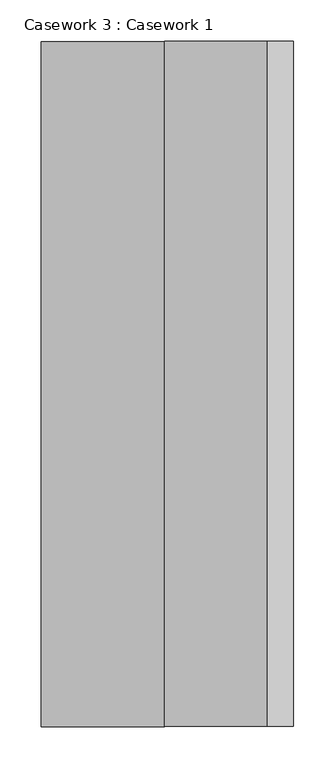
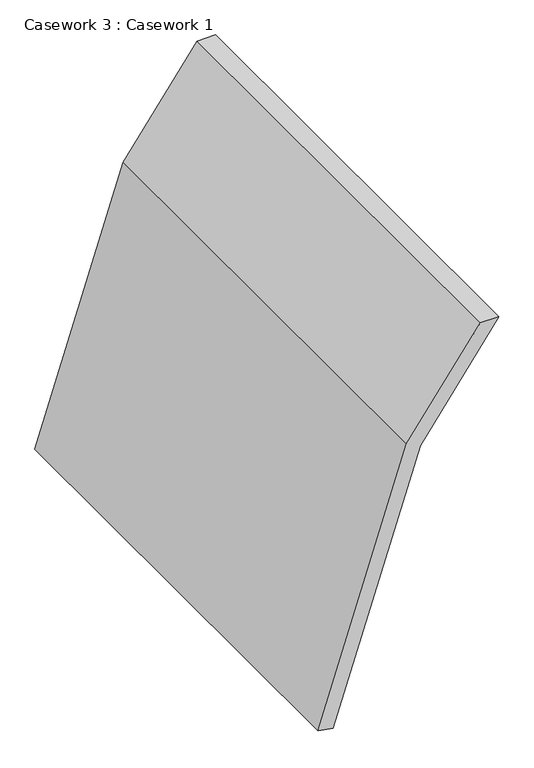
"""IFC4 building model written with IfcOpenShell, lengths in millimetres: furniture geometry, Casework 3 : Casework 1."""

import ifcopenshell
import ifcopenshell.guid

model = None  # the IFC model being written
_history = None  # IfcOwnerHistory: only IFC2X3 demands one
_inside = {}  # id of a spatial element -> (the spatial element, [elements in it])
_under = {}  # id of a project, library or spatial element -> (it, [spatial elements below it])
_declared = {}  # id of a project -> (the project, [libraries it declares])
_typed = {}  # id of a type object -> (the type object, [elements of that type])
_made_of = {}  # id of a material, layer set ... -> (it, [elements and type objects made of it])


def new_model(schema):
    """Start an empty IFC model of exactly this schema.

    Asked for "IFC4X3", IfcOpenShell would pick the latest addendum, in which some entities
    have other attributes; the version numbers below select the first issue.
    IFC2X3 requires an IfcOwnerHistory on every rooted entity: one is made here for all.
    """
    global model, _history
    if schema == "IFC4X3":
        model = ifcopenshell.file(schema_version=(4, 3, 0, 0))
    else:
        model = ifcopenshell.file(schema=schema)
    _inside.clear()
    _under.clear()
    _declared.clear()
    _typed.clear()
    _made_of.clear()
    _history = None
    if model.schema == "IFC2X3":
        org = make("IfcOrganization", Name="unknown")
        user = make(
            "IfcPersonAndOrganization",
            ThePerson=make("IfcPerson", FamilyName="unknown"),
            TheOrganization=org,
        )
        app = make(
            "IfcApplication",
            ApplicationDeveloper=org,
            Version="unknown",
            ApplicationFullName="unknown",
            ApplicationIdentifier="unknown",
        )
        _history = make(
            "IfcOwnerHistory",
            OwningUser=user,
            OwningApplication=app,
            ChangeAction="ADDED",
            CreationDate=0,
        )
    return model


def make(cls, **values):
    """One entity of the class cls with the attributes given. An attribute that is None is left unset."""
    return model.create_entity(
        cls, **{name: value for name, value in values.items() if value is not None}
    )


def rooted(cls, **values):
    """An entity with a GlobalId (a new one), such as an element, a storey or a relation."""
    return make(cls, GlobalId=ifcopenshell.guid.new(), OwnerHistory=_history, **values)


def si_unit(unit_type, name, prefix=None):
    """IfcSIUnit, for example si_unit("LENGTHUNIT", "METRE", prefix="MILLI")."""
    return make("IfcSIUnit", UnitType=unit_type, Prefix=prefix, Name=name)


def assignment(units):
    """IfcUnitAssignment: the units of a project."""
    return None if units is None else make("IfcUnitAssignment", Units=units)


def point(xyz):
    """IfcCartesianPoint."""
    return None if xyz is None else make("IfcCartesianPoint", Coordinates=xyz)


def direction(xyz):
    """IfcDirection."""
    return None if xyz is None else make("IfcDirection", DirectionRatios=xyz)


def frame(location, z_axis=None, x_axis=None):
    """IfcAxis2Placement3D, a coordinate frame: its origin and axes. An axis left out is left unset."""
    return make(
        "IfcAxis2Placement3D",
        Location=point(location),
        Axis=direction(z_axis),
        RefDirection=direction(x_axis),
    )


def origin():
    """The frame at (0, 0, 0) with its axes left unset."""
    return frame((0.0, 0.0, 0.0))


def place(relative_to, where):
    """IfcLocalPlacement: puts the frame where relative to a parent placement (None: the world)."""
    return make(
        "IfcLocalPlacement", PlacementRelTo=relative_to, RelativePlacement=where
    )


def context(
    kind, dimensions, precision=None, world=None, true_north=None, identifier=None
):
    """IfcGeometricRepresentationContext, for example the 3D "Model" context."""
    return make(
        "IfcGeometricRepresentationContext",
        ContextIdentifier=identifier,
        ContextType=kind,
        CoordinateSpaceDimension=dimensions,
        Precision=precision,
        WorldCoordinateSystem=world,
        TrueNorth=true_north,
    )


def project(units=None, contexts=None):
    """IfcProject with its units and contexts."""
    return rooted(
        "IfcProject",
        Name="project",
        RepresentationContexts=contexts,
        UnitsInContext=assignment(units),
    )


def spatial(cls, under=None, at=None, **own):
    """A site, building, storey or space (cls), placed at a placement, below another one or the project."""
    s = rooted(cls, ObjectPlacement=at, **own)
    if under is not None:
        _under.setdefault(under.id(), (under, []))[1].append(s)
    return s


def polyline(points):
    """IfcPolyline through the points."""
    return make("IfcPolyline", Points=[point(p) for p in points])


def outline(outer, holes=None, kind="AREA"):
    """IfcArbitraryClosedProfileDef: a profile drawn as a closed curve; with holes, ...WithVoids."""
    if holes is None:
        return make("IfcArbitraryClosedProfileDef", ProfileType=kind, OuterCurve=outer)
    return make(
        "IfcArbitraryProfileDefWithVoids",
        ProfileType=kind,
        OuterCurve=outer,
        InnerCurves=holes,
    )


def extrude(swept, where, along, depth):
    """IfcExtrudedAreaSolid: the profile swept, set in the frame where, extruded along a direction by depth."""
    return make(
        "IfcExtrudedAreaSolid",
        SweptArea=swept,
        Position=where,
        ExtrudedDirection=direction(along),
        Depth=depth,
    )


def shape(context_of_items, identifier, shape_type, items):
    """IfcShapeRepresentation: the items that make up one representation, for example the "Body"."""
    return make(
        "IfcShapeRepresentation",
        ContextOfItems=context_of_items,
        RepresentationIdentifier=identifier,
        RepresentationType=shape_type,
        Items=items,
    )


def source(mapping_origin, context_of_items, identifier, shape_type, items):
    """IfcRepresentationMap: a shape defined once, which mapped items show again and again."""
    return make(
        "IfcRepresentationMap",
        MappingOrigin=mapping_origin,
        MappedRepresentation=shape(context_of_items, identifier, shape_type, items),
    )


def transform(
    local_origin,
    x_axis=None,
    y_axis=None,
    z_axis=None,
    scale=None,
    scale2=None,
    scale3=None,
    uniform=True,
):
    """IfcCartesianTransformationOperator3D, or its non-uniform kind. x_axis, y_axis, z_axis: its Axis1, 2, 3."""
    if uniform:
        return make(
            "IfcCartesianTransformationOperator3D",
            Axis1=direction(x_axis),
            Axis2=direction(y_axis),
            LocalOrigin=point(local_origin),
            Scale=scale,
            Axis3=direction(z_axis),
        )
    return make(
        "IfcCartesianTransformationOperator3DnonUniform",
        Axis1=direction(x_axis),
        Axis2=direction(y_axis),
        LocalOrigin=point(local_origin),
        Scale=scale,
        Axis3=direction(z_axis),
        Scale2=scale2,
        Scale3=scale3,
    )


def mapped(mapping_source, mapping_target):
    """IfcMappedItem: shows the shape of a source again, moved by a transform."""
    return make(
        "IfcMappedItem", MappingSource=mapping_source, MappingTarget=mapping_target
    )


def made_of(thing, what):
    """Note that an element or type object is made of a material, layer set ...; save() writes the relation."""
    if what is not None:
        _made_of.setdefault(what.id(), (what, []))[1].append(thing)
    return thing


def element(
    cls,
    number,
    at=None,
    inside=None,
    cuts=None,
    type_object=None,
    material=None,
    context=None,
    identifier="Body",
    shape_type=None,
    held_by="IfcProductDefinitionShape",
    body=None,
    shapes=None,
    **own,
):
    """One element of the class cls, such as IfcWall. Its Tag is "e" and its number.

    at: its placement. inside: the storey or other place that contains it. cuts: it is an
    opening in that element (IfcRelVoidsElement). A single representation is given by context,
    identifier, shape_type and body (its items); several are given by shapes. held_by: the class
    of the entity that holds the representations. save() writes the other relations.
    """
    e = rooted(cls, Tag="e%d" % number, ObjectPlacement=at, **own)
    if body is not None:
        shapes = [shape(context, identifier, shape_type, body)]
    if shapes is not None:
        e.Representation = make(held_by, Representations=shapes)
    if inside is not None:
        _inside.setdefault(inside.id(), (inside, []))[1].append(e)
    if cuts is not None:
        rooted(
            "IfcRelVoidsElement", RelatingBuildingElement=cuts, RelatedOpeningElement=e
        )
    if type_object is not None:
        _typed.setdefault(type_object.id(), (type_object, []))[1].append(e)
    return made_of(e, material)


def aggregate(whole, parts):
    """IfcRelAggregates: a whole, such as a stair, and the parts it consists of."""
    return rooted("IfcRelAggregates", RelatingObject=whole, RelatedObjects=parts)


def save(model, path):
    """Write the relations noted so far, then the file.

    IfcRelAggregates (storeys below a building ...), IfcRelContainedInSpatialStructure (elements
    in a storey), IfcRelDefinesByType, IfcRelAssociatesMaterial and IfcRelDeclares: one each for
    every whole, place, type object, material and project.
    """
    for whole, parts in _under.values():
        aggregate(whole, parts)
    for where, things in _inside.values():
        rooted(
            "IfcRelContainedInSpatialStructure",
            RelatedElements=things,
            RelatingStructure=where,
        )
    for kind, things in _typed.values():
        rooted("IfcRelDefinesByType", RelatedObjects=things, RelatingType=kind)
    for what, things in _made_of.values():
        rooted("IfcRelAssociatesMaterial", RelatedObjects=things, RelatingMaterial=what)
    for by, libraries in _declared.values():
        rooted("IfcRelDeclares", RelatingContext=by, RelatedDefinitions=libraries)
    model.write(path)


def casework_3_casework_1_53e1a74b(model_context):
    return source(origin(), model_context, "Body", "SweptSolid", [
        extrude(outline(polyline([(863.6, 214979.9713065), (863.6, 214948.6293081), (691.6336111, 214824.3129062), (232.8225264, 214675.236148), (228.6, 214700.5713065), (679.9879865, 214847.2361539), (863.6, 214979.9713065)])), frame((0.0, -261205.626838, 0.0), z_axis=(0.0, 1.0, 0.0), x_axis=(0.0, 0.0, 1.0)), (0.0, 0.0, 1.0), 827.1937689),
    ])


if __name__ == "__main__":
    model = new_model("IFC4")
    model_context = context("Model", 3, world=origin())
    ifc_project = project(units=[si_unit("LENGTHUNIT", "METRE", prefix="MILLI")], contexts=[model_context])
    site = spatial("IfcSite", under=ifc_project)
    building = spatial("IfcBuilding", under=site)
    placement = place(None, origin())
    casework_3_casework_1_shape = casework_3_casework_1_53e1a74b(model_context)
    element("IfcFurniture", 1, ObjectType="Casework 3 : Casework 1", at=placement, inside=building, context=model_context, shape_type="MappedRepresentation", body=[
        mapped(casework_3_casework_1_shape, transform((0.0, 0.0, 0.0), x_axis=(1.0, 0.0, 0.0), y_axis=(0.0, 1.0, 0.0), z_axis=(0.0, 0.0, 1.0))),
    ])
    save(model, "model.ifc")
